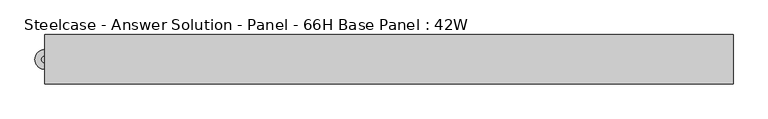
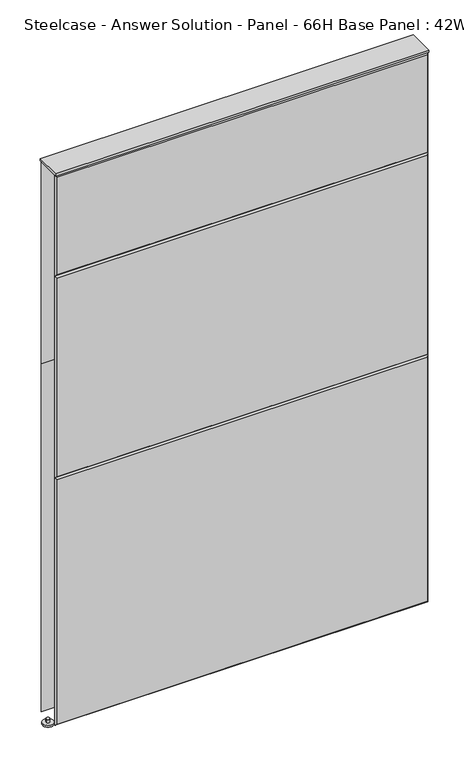
"""IFC4 building model written with IfcOpenShell, lengths in millimetres: furniture geometry, Steelcase - Answer Solution - Panel - 66H Base Panel : 42W."""

from ifc_helpers import new_model, si_unit, point, frame, frame_2d, origin, place, context, project, spatial, polyline, circle_curve, trimmed, segment, composite_curve, outline, extrude, faceted_brep, source, transform, mapped, element, save


def steelcase_answer_solution_panel_66h_base_panel_42w_b99d2f06(model_context):
    return source(origin(), model_context, "Body", "SolidModel", [
        extrude(outline(composite_curve([segment(trimmed(circle_curve(frame_2d((-533.4, 0.0320214)), 5.08), [point((-538.48, 0.0320214))], [point((-528.32, 0.0320214))], False, "CARTESIAN"), True, "CONTINUOUS"), segment(trimmed(circle_curve(frame_2d((-533.4, 0.0320214)), 5.08), [point((-528.32, 0.0320214))], [point((-538.48, 0.0320214))], False, "CARTESIAN"), True, "CONTINUOUS")], self_intersect=False)), frame((0.0, 0.0, 5.0799671), z_axis=(0.0, 0.0, 1.0), x_axis=(1.0, 0.0, 0.0)), (0.0, 0.0, 1.0), 10.414),
        extrude(outline(composite_curve([segment(trimmed(circle_curve(frame_2d((-533.4, 0.0320214)), 15.24), [point((-548.64, 0.0320214))], [point((-518.16, 0.0320214))], False, "CARTESIAN"), True, "CONTINUOUS"), segment(trimmed(circle_curve(frame_2d((-533.4, 0.0320214)), 15.24), [point((-518.16, 0.0320214))], [point((-548.64, 0.0320214))], False, "CARTESIAN"), True, "CONTINUOUS")], self_intersect=False)), frame((0.0, 0.0, -3.29e-05), z_axis=(0.0, 0.0, 1.0), x_axis=(1.0, 0.0, 0.0)), (0.0, 0.0, 1.0), 5.08),
        faceted_brep([(-528.574, 38.1635011, 1671.574), (528.574, 38.1635011, 1671.574), (528.574, 38.1635011, 1071.626), (-528.574, 38.1635011, 1071.626), (-533.4, 33.3375011, 1676.4), (-533.4, 33.3375011, 1066.8), (533.4, 33.3375011, 1066.8), (533.4, 33.3375011, 1676.4)], [[[0, 1, 2, 3]], [[4, 5, 6, 7]], [[4, 7, 1, 0]], [[7, 6, 2, 1]], [[6, 5, 3, 2]], [[5, 4, 0, 3]]]),
        faceted_brep([(-528.574, 38.1635011, 1061.974), (528.574, 38.1635011, 1061.974), (528.574, 38.1635011, 20.32), (-528.574, 38.1635011, 20.32), (-533.4, 33.3375011, 1066.8), (-533.4, 33.3375011, 15.494), (533.4, 33.3375011, 15.494), (533.4, 33.3375011, 1066.8)], [[[0, 1, 2, 3]], [[4, 5, 6, 7]], [[4, 7, 1, 0]], [[7, 6, 2, 1]], [[6, 5, 3, 2]], [[5, 4, 0, 3]]]),
        faceted_brep([(528.574, -38.1635011, 1671.574), (-528.574, -38.1635011, 1671.574), (-528.574, -38.1635011, 1376.426), (528.574, -38.1635011, 1376.426), (533.4, -33.3375011, 1676.4), (533.4, -33.3375011, 1371.6), (-533.4, -33.3375011, 1371.6), (-533.4, -33.3375011, 1676.4)], [[[0, 1, 2, 3]], [[4, 5, 6, 7]], [[4, 7, 1, 0]], [[7, 6, 2, 1]], [[6, 5, 3, 2]], [[5, 4, 0, 3]]]),
        faceted_brep([(528.574, -38.1635011, 1366.774), (-528.574, -38.1635011, 1366.774), (-528.574, -38.1635011, 766.826), (528.574, -38.1635011, 766.826), (533.4, -33.3375011, 1371.6), (533.4, -33.3375011, 762.0), (-533.4, -33.3375011, 762.0), (-533.4, -33.3375011, 1371.6)], [[[0, 1, 2, 3]], [[4, 5, 6, 7]], [[4, 7, 1, 0]], [[7, 6, 2, 1]], [[6, 5, 3, 2]], [[5, 4, 0, 3]]]),
        faceted_brep([(528.574, -38.1635011, 757.174), (-528.574, -38.1635011, 757.174), (-528.574, -38.1635011, 20.32), (528.574, -38.1635011, 20.32), (533.4, -33.3375011, 762.0), (533.4, -33.3375011, 15.494), (-533.4, -33.3375011, 15.494), (-533.4, -33.3375011, 762.0)], [[[0, 1, 2, 3]], [[4, 5, 6, 7]], [[4, 7, 1, 0]], [[7, 6, 2, 1]], [[6, 5, 3, 2]], [[5, 4, 0, 3]]]),
        extrude(outline(polyline([(533.4, 38.1000194), (533.4, -38.1000194), (-533.4, -38.1000194), (-533.4, 38.1000194), (533.4, 38.1000194)])), frame((0.0, 0.0, 1676.4), z_axis=(0.0, 0.0, 1.0), x_axis=(1.0, 0.0, 0.0)), (0.0, 0.0, 1.0), 6.35),
    ])


if __name__ == "__main__":
    model = new_model("IFC4")
    model_context = context("Model", 3, world=origin())
    ifc_project = project(units=[si_unit("LENGTHUNIT", "METRE", prefix="MILLI")], contexts=[model_context])
    site = spatial("IfcSite", under=ifc_project)
    building = spatial("IfcBuilding", under=site)
    placement = place(None, origin())
    steelcase_answer_solution_panel_66h_base_panel_42w_shape = steelcase_answer_solution_panel_66h_base_panel_42w_b99d2f06(model_context)
    element("IfcFurniture", 1, ObjectType="Steelcase - Answer Solution - Panel - 66H Base Panel : 42W", at=placement, inside=building, context=model_context, shape_type="MappedRepresentation", body=[
        mapped(steelcase_answer_solution_panel_66h_base_panel_42w_shape, transform((0.0, 0.0, 0.0), x_axis=(1.0, 0.0, 0.0), y_axis=(0.0, 1.0, 0.0), z_axis=(0.0, 0.0, 1.0))),
    ])
    save(model, "model.ifc")
